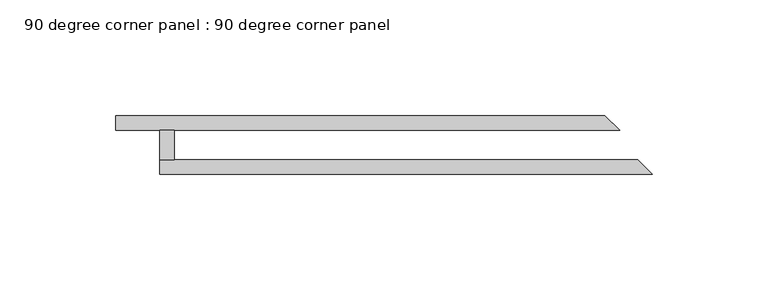
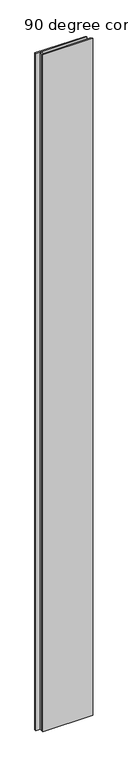
"""IFC4 building model written with IfcOpenShell, lengths in millimetres: plate geometry, 90 degree corner panel : 90 degree corner panel."""

import ifcopenshell
import ifcopenshell.guid

model = None  # the IFC model being written
_history = None  # IfcOwnerHistory: only IFC2X3 demands one
_inside = {}  # id of a spatial element -> (the spatial element, [elements in it])
_under = {}  # id of a project, library or spatial element -> (it, [spatial elements below it])
_declared = {}  # id of a project -> (the project, [libraries it declares])
_typed = {}  # id of a type object -> (the type object, [elements of that type])
_made_of = {}  # id of a material, layer set ... -> (it, [elements and type objects made of it])


def new_model(schema):
    """Start an empty IFC model of exactly this schema.

    Asked for "IFC4X3", IfcOpenShell would pick the latest addendum, in which some entities
    have other attributes; the version numbers below select the first issue.
    IFC2X3 requires an IfcOwnerHistory on every rooted entity: one is made here for all.
    """
    global model, _history
    if schema == "IFC4X3":
        model = ifcopenshell.file(schema_version=(4, 3, 0, 0))
    else:
        model = ifcopenshell.file(schema=schema)
    _inside.clear()
    _under.clear()
    _declared.clear()
    _typed.clear()
    _made_of.clear()
    _history = None
    if model.schema == "IFC2X3":
        org = make("IfcOrganization", Name="unknown")
        user = make(
            "IfcPersonAndOrganization",
            ThePerson=make("IfcPerson", FamilyName="unknown"),
            TheOrganization=org,
        )
        app = make(
            "IfcApplication",
            ApplicationDeveloper=org,
            Version="unknown",
            ApplicationFullName="unknown",
            ApplicationIdentifier="unknown",
        )
        _history = make(
            "IfcOwnerHistory",
            OwningUser=user,
            OwningApplication=app,
            ChangeAction="ADDED",
            CreationDate=0,
        )
    return model


def make(cls, **values):
    """One entity of the class cls with the attributes given. An attribute that is None is left unset."""
    return model.create_entity(
        cls, **{name: value for name, value in values.items() if value is not None}
    )


def rooted(cls, **values):
    """An entity with a GlobalId (a new one), such as an element, a storey or a relation."""
    return make(cls, GlobalId=ifcopenshell.guid.new(), OwnerHistory=_history, **values)


def si_unit(unit_type, name, prefix=None):
    """IfcSIUnit, for example si_unit("LENGTHUNIT", "METRE", prefix="MILLI")."""
    return make("IfcSIUnit", UnitType=unit_type, Prefix=prefix, Name=name)


def assignment(units):
    """IfcUnitAssignment: the units of a project."""
    return None if units is None else make("IfcUnitAssignment", Units=units)


def point(xyz):
    """IfcCartesianPoint."""
    return None if xyz is None else make("IfcCartesianPoint", Coordinates=xyz)


def direction(xyz):
    """IfcDirection."""
    return None if xyz is None else make("IfcDirection", DirectionRatios=xyz)


def frame(location, z_axis=None, x_axis=None):
    """IfcAxis2Placement3D, a coordinate frame: its origin and axes. An axis left out is left unset."""
    return make(
        "IfcAxis2Placement3D",
        Location=point(location),
        Axis=direction(z_axis),
        RefDirection=direction(x_axis),
    )


def origin():
    """The frame at (0, 0, 0) with its axes left unset."""
    return frame((0.0, 0.0, 0.0))


def origin_with_axes():
    """The frame at (0, 0, 0) with the z axis (0, 0, 1) and the x axis (1, 0, 0) written out."""
    return frame((0.0, 0.0, 0.0), z_axis=(0.0, 0.0, 1.0), x_axis=(1.0, 0.0, 0.0))


def place(relative_to, where):
    """IfcLocalPlacement: puts the frame where relative to a parent placement (None: the world)."""
    return make(
        "IfcLocalPlacement", PlacementRelTo=relative_to, RelativePlacement=where
    )


def context(
    kind, dimensions, precision=None, world=None, true_north=None, identifier=None
):
    """IfcGeometricRepresentationContext, for example the 3D "Model" context."""
    return make(
        "IfcGeometricRepresentationContext",
        ContextIdentifier=identifier,
        ContextType=kind,
        CoordinateSpaceDimension=dimensions,
        Precision=precision,
        WorldCoordinateSystem=world,
        TrueNorth=true_north,
    )


def project(units=None, contexts=None):
    """IfcProject with its units and contexts."""
    return rooted(
        "IfcProject",
        Name="project",
        RepresentationContexts=contexts,
        UnitsInContext=assignment(units),
    )


def spatial(cls, under=None, at=None, **own):
    """A site, building, storey or space (cls), placed at a placement, below another one or the project."""
    s = rooted(cls, ObjectPlacement=at, **own)
    if under is not None:
        _under.setdefault(under.id(), (under, []))[1].append(s)
    return s


def polyline(points):
    """IfcPolyline through the points."""
    return make("IfcPolyline", Points=[point(p) for p in points])


def outline(outer, holes=None, kind="AREA"):
    """IfcArbitraryClosedProfileDef: a profile drawn as a closed curve; with holes, ...WithVoids."""
    if holes is None:
        return make("IfcArbitraryClosedProfileDef", ProfileType=kind, OuterCurve=outer)
    return make(
        "IfcArbitraryProfileDefWithVoids",
        ProfileType=kind,
        OuterCurve=outer,
        InnerCurves=holes,
    )


def extrude(swept, where, along, depth):
    """IfcExtrudedAreaSolid: the profile swept, set in the frame where, extruded along a direction by depth."""
    return make(
        "IfcExtrudedAreaSolid",
        SweptArea=swept,
        Position=where,
        ExtrudedDirection=direction(along),
        Depth=depth,
    )


def shape(context_of_items, identifier, shape_type, items):
    """IfcShapeRepresentation: the items that make up one representation, for example the "Body"."""
    return make(
        "IfcShapeRepresentation",
        ContextOfItems=context_of_items,
        RepresentationIdentifier=identifier,
        RepresentationType=shape_type,
        Items=items,
    )


def source(mapping_origin, context_of_items, identifier, shape_type, items):
    """IfcRepresentationMap: a shape defined once, which mapped items show again and again."""
    return make(
        "IfcRepresentationMap",
        MappingOrigin=mapping_origin,
        MappedRepresentation=shape(context_of_items, identifier, shape_type, items),
    )


def transform(
    local_origin,
    x_axis=None,
    y_axis=None,
    z_axis=None,
    scale=None,
    scale2=None,
    scale3=None,
    uniform=True,
):
    """IfcCartesianTransformationOperator3D, or its non-uniform kind. x_axis, y_axis, z_axis: its Axis1, 2, 3."""
    if uniform:
        return make(
            "IfcCartesianTransformationOperator3D",
            Axis1=direction(x_axis),
            Axis2=direction(y_axis),
            LocalOrigin=point(local_origin),
            Scale=scale,
            Axis3=direction(z_axis),
        )
    return make(
        "IfcCartesianTransformationOperator3DnonUniform",
        Axis1=direction(x_axis),
        Axis2=direction(y_axis),
        LocalOrigin=point(local_origin),
        Scale=scale,
        Axis3=direction(z_axis),
        Scale2=scale2,
        Scale3=scale3,
    )


def mapped(mapping_source, mapping_target):
    """IfcMappedItem: shows the shape of a source again, moved by a transform."""
    return make(
        "IfcMappedItem", MappingSource=mapping_source, MappingTarget=mapping_target
    )


def made_of(thing, what):
    """Note that an element or type object is made of a material, layer set ...; save() writes the relation."""
    if what is not None:
        _made_of.setdefault(what.id(), (what, []))[1].append(thing)
    return thing


def element(
    cls,
    number,
    at=None,
    inside=None,
    cuts=None,
    type_object=None,
    material=None,
    context=None,
    identifier="Body",
    shape_type=None,
    held_by="IfcProductDefinitionShape",
    body=None,
    shapes=None,
    **own,
):
    """One element of the class cls, such as IfcWall. Its Tag is "e" and its number.

    at: its placement. inside: the storey or other place that contains it. cuts: it is an
    opening in that element (IfcRelVoidsElement). A single representation is given by context,
    identifier, shape_type and body (its items); several are given by shapes. held_by: the class
    of the entity that holds the representations. save() writes the other relations.
    """
    e = rooted(cls, Tag="e%d" % number, ObjectPlacement=at, **own)
    if body is not None:
        shapes = [shape(context, identifier, shape_type, body)]
    if shapes is not None:
        e.Representation = make(held_by, Representations=shapes)
    if inside is not None:
        _inside.setdefault(inside.id(), (inside, []))[1].append(e)
    if cuts is not None:
        rooted(
            "IfcRelVoidsElement", RelatingBuildingElement=cuts, RelatedOpeningElement=e
        )
    if type_object is not None:
        _typed.setdefault(type_object.id(), (type_object, []))[1].append(e)
    return made_of(e, material)


def aggregate(whole, parts):
    """IfcRelAggregates: a whole, such as a stair, and the parts it consists of."""
    return rooted("IfcRelAggregates", RelatingObject=whole, RelatedObjects=parts)


def save(model, path):
    """Write the relations noted so far, then the file.

    IfcRelAggregates (storeys below a building ...), IfcRelContainedInSpatialStructure (elements
    in a storey), IfcRelDefinesByType, IfcRelAssociatesMaterial and IfcRelDeclares: one each for
    every whole, place, type object, material and project.
    """
    for whole, parts in _under.values():
        aggregate(whole, parts)
    for where, things in _inside.values():
        rooted(
            "IfcRelContainedInSpatialStructure",
            RelatedElements=things,
            RelatingStructure=where,
        )
    for kind, things in _typed.values():
        rooted("IfcRelDefinesByType", RelatedObjects=things, RelatingType=kind)
    for what, things in _made_of.values():
        rooted("IfcRelAssociatesMaterial", RelatedObjects=things, RelatingMaterial=what)
    for by, libraries in _declared.values():
        rooted("IfcRelDeclares", RelatingContext=by, RelatedDefinitions=libraries)
    model.write(path)


def plate_90_degree_corner_panel_90_degree_corner_panel_316c4aa7(model_context):
    return source(origin(), model_context, "Body", "SweptSolid", [
        extrude(outline(polyline([(19.05, -19.05), (19.05, -6.35), (25.4, -6.35), (25.4, -19.05), (19.05, -19.05)])), origin_with_axes(), (0.0, 0.0, 1.0), 3048.0),
        extrude(outline(polyline([(211.7823754, 0.0), (218.1323754, -6.35), (0.0, -6.35), (0.0, 0.0), (211.7823754, 0.0)])), origin_with_axes(), (0.0, 0.0, 1.0), 3048.0),
        extrude(outline(polyline([(19.05, -25.4), (19.05, -19.05), (226.0189946, -19.05), (232.3689946, -25.4), (19.05, -25.4)])), origin_with_axes(), (0.0, 0.0, 1.0), 3048.0),
    ])


if __name__ == "__main__":
    model = new_model("IFC4")
    model_context = context("Model", 3, world=origin())
    ifc_project = project(units=[si_unit("LENGTHUNIT", "METRE", prefix="MILLI")], contexts=[model_context])
    site = spatial("IfcSite", under=ifc_project)
    building = spatial("IfcBuilding", under=site)
    placement = place(None, origin())
    plate_90_degree_corner_panel_90_degree_corner_panel_shape = plate_90_degree_corner_panel_90_degree_corner_panel_316c4aa7(model_context)
    element("IfcPlate", 1, ObjectType="90 degree corner panel : 90 degree corner panel", at=placement, inside=building, context=model_context, shape_type="MappedRepresentation", body=[
        mapped(plate_90_degree_corner_panel_90_degree_corner_panel_shape, transform((0.0, 0.0, 0.0), x_axis=(1.0, 0.0, 0.0), y_axis=(0.0, 1.0, 0.0), z_axis=(0.0, 0.0, 1.0))),
    ])
    save(model, "model.ifc")
